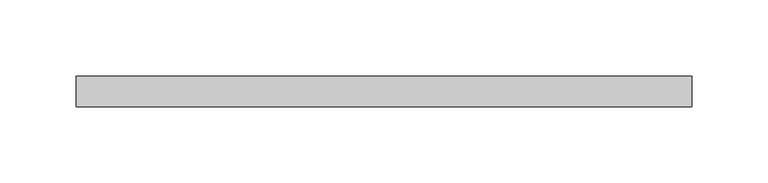
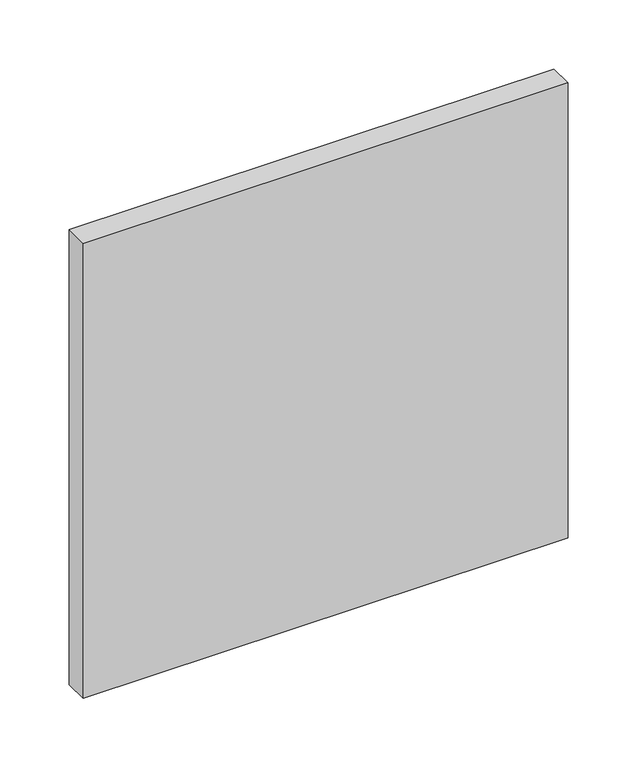
"""IFC4 building model written with IfcOpenShell, lengths in millimetres: plate geometry."""

from ifc_helpers import new_model, si_unit, frame, origin, place, context, project, spatial, polyline, outline, extrude, source, transform, mapped, element, save


def plate_a8c81c08(model_context):
    return source(origin(), model_context, "Body", "SweptSolid", [
        extrude(outline(polyline([(0.0, -202.3913043), (0.0, 202.3913043), (348.3248819, 202.3913043), (401.6624409, 202.3913043), (401.6624409, -202.3913043), (0.0, -202.3913043)])), frame((0.0, 70.0, 0.0), z_axis=(0.0, 1.0, 0.0), x_axis=(0.0, 0.0, 1.0)), (0.0, 0.0, 1.0), 20.0),
    ])


if __name__ == "__main__":
    model = new_model("IFC4")
    model_context = context("Model", 3, world=origin())
    ifc_project = project(units=[si_unit("LENGTHUNIT", "METRE", prefix="MILLI")], contexts=[model_context])
    site = spatial("IfcSite", under=ifc_project)
    building = spatial("IfcBuilding", under=site)
    placement = place(None, origin())
    plate_shape = plate_a8c81c08(model_context)
    element("IfcPlate", 1, at=placement, inside=building, context=model_context, shape_type="MappedRepresentation", body=[
        mapped(plate_shape, transform((0.0, 0.0, 0.0), x_axis=(1.0, 0.0, 0.0), y_axis=(0.0, 1.0, 0.0), z_axis=(0.0, 0.0, 1.0))),
    ])
    save(model, "model.ifc")
